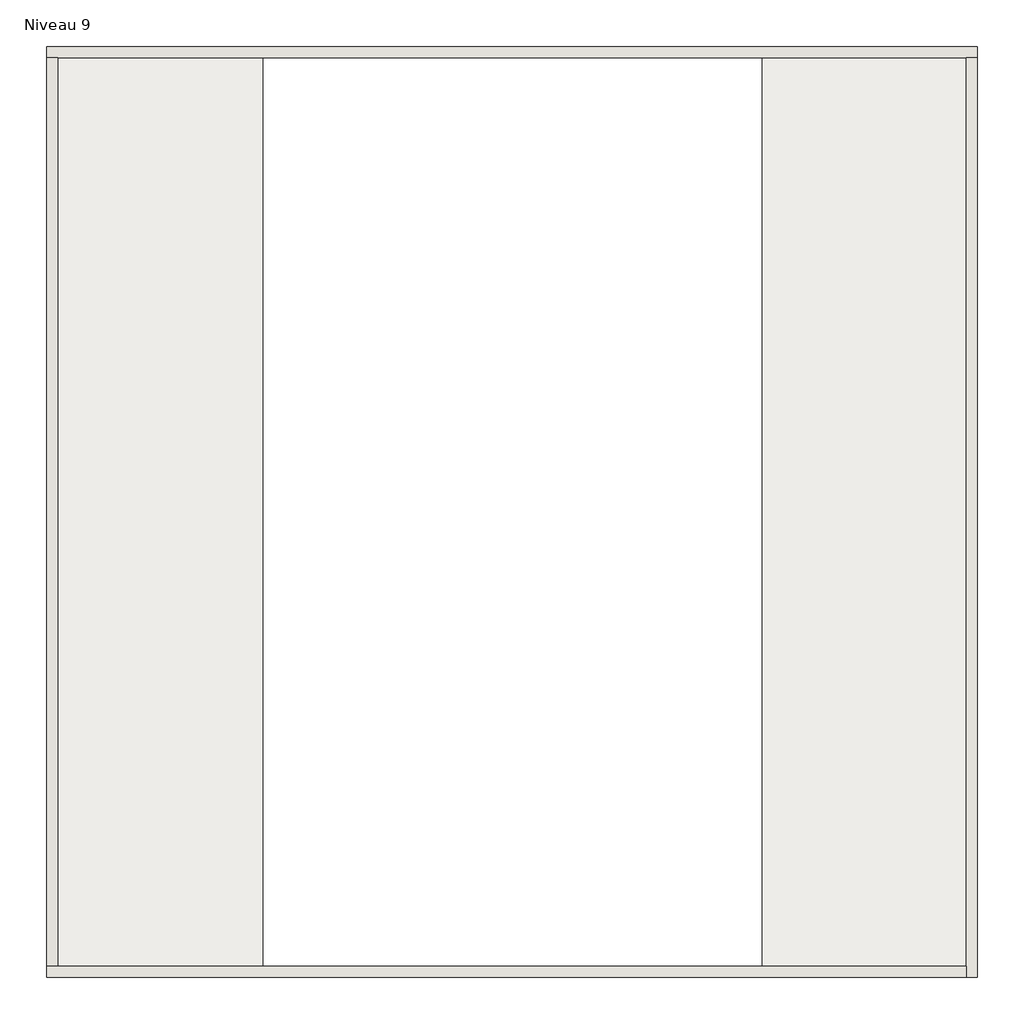
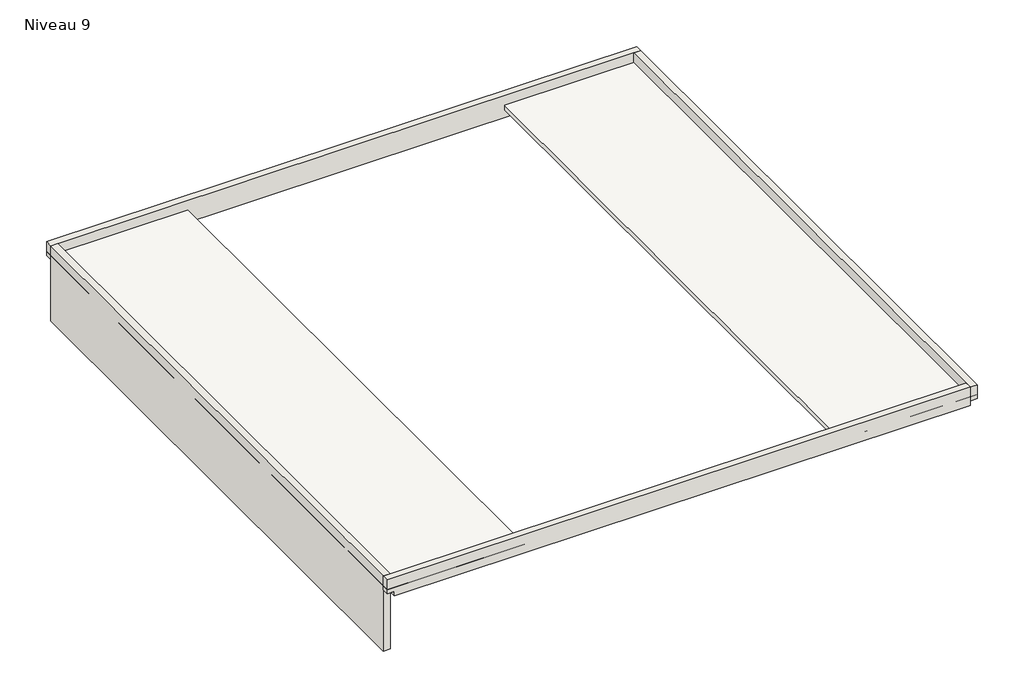
# One storey: 4 walls, 2 slabs.
"""IFC4 building model written with IfcOpenShell, lengths in millimetres."""

from ifc_helpers import new_model, si_unit, frame, origin, place, context, project, spatial, polyline, outline, extrude, faceted_brep, element, save

model = new_model("IFC4")

# Units and contexts
model_context = context("Model", 3, world=origin())
ifc_project = project(units=[si_unit("LENGTHUNIT", "METRE", prefix="MILLI")], contexts=[model_context])

# Site, building, storey
site = spatial("IfcSite", under=ifc_project)
building = spatial("IfcBuilding", under=site)
storey = spatial("IfcBuildingStorey", under=building, Name="Niveau 9", Elevation=28800.0)

# Slabs
placement = place(None, origin())
element("IfcSlab", 1, at=placement, inside=storey, context=model_context, shape_type="SweptSolid", body=[
    extrude(outline(polyline([(7305.4348569, 3263.0837434), (7305.4348569, -26036.7581337), (505.4348569, -26036.7581337), (505.4348569, 3263.0837434), (7305.4348569, 3263.0837434)])), frame((0.0, 0.0, 28575.0), z_axis=(0.0, 0.0, 1.0), x_axis=(1.0, 0.0, 0.0)), (0.0, 0.0, 1.0), 225.0),
])
element("IfcSlab", 2, at=placement, inside=storey, context=model_context, shape_type="SweptSolid", body=[
    extrude(outline(polyline([(29804.9079366, -26036.7581337), (23029.9956849, -26036.7581337), (23029.9956849, 3263.0837434), (29804.9079366, 3263.0837434), (29804.9079366, -26036.7581337)])), frame((0.0, 0.0, 28575.0), z_axis=(0.0, 0.0, 1.0), x_axis=(1.0, 0.0, 0.0)), (0.0, 0.0, 1.0), 225.0),
])

# Walls
element("IfcWall", 3, at=placement, inside=storey, context=model_context, shape_type="Brep", body=[
    faceted_brep([(854.472057, 2913.0837434, 28142.4436242), (29454.9282678, 2913.0837434, 28142.4436242), (29454.9282678, 2913.0837434, 28575.0), (29804.9079366, 2913.0837434, 28575.0), (29804.9079366, 2913.0837434, 29300.0), (29454.9079366, 2913.0837434, 29300.0), (855.4348569, 2913.0837434, 29300.0), (505.4348569, 2913.0837434, 29300.0), (505.4348569, 2913.0837434, 28575.0), (854.472057, 2913.0837434, 28575.0), (854.472057, 3263.0837434, 28142.4436242), (854.472057, 3263.0837434, 28575.0), (505.4348569, 3263.0837434, 28575.0), (505.4348569, 3263.0837434, 29300.0), (29804.9079366, 3263.0837434, 29300.0), (29804.9079366, 3263.0837434, 28575.0), (29454.9282678, 3263.0837434, 28575.0), (29454.9282678, 3263.0837434, 28142.4436242)], [[[0, 1, 2, 3, 4, 5, 6, 7, 8, 9]], [[10, 11, 12, 13, 14, 15, 16, 17]], [[1, 0, 10, 17]], [[7, 6, 5, 4, 14, 13]], [[8, 12, 11, 9]], [[0, 9, 11, 10]], [[8, 7, 13, 12]], [[15, 3, 2, 16]], [[1, 17, 16, 2]], [[4, 3, 15, 14]]]),
])
element("IfcWall", 4, at=placement, inside=storey, context=model_context, shape_type="Brep", body=[
    faceted_brep([(29454.9079366, 2912.9920341, 28296.06148), (29454.9079366, -25687.7056149, 28296.06148), (29454.9079366, -25687.7056149, 28575.0), (29454.9079366, -26036.7581337, 28575.0), (29454.9079366, -26036.7581337, 29300.0), (29454.9079366, -25686.7581337, 29300.0), (29454.9079366, 2913.0837434, 29300.0), (29454.9079366, 2913.0837434, 28575.0), (29804.9079366, 2912.9920341, 28296.06148), (29804.9079366, 2912.9920341, 28575.0), (29804.9079366, 2913.0837434, 29300.0), (29804.9079366, -26036.7581337, 29300.0), (29804.9079366, -26036.7581337, 28575.0), (29804.9079366, -25687.7056149, 28575.0), (29804.9079366, -25687.7056149, 28296.06148)], [[[0, 1, 2, 3, 4, 5, 6, 7]], [[8, 9, 10, 11, 12, 13, 14]], [[1, 0, 8, 14]], [[6, 5, 4, 11, 10]], [[12, 3, 2, 13]], [[1, 14, 13, 2]], [[4, 3, 12, 11]], [[0, 7, 9, 8]], [[7, 6, 10, 9]]]),
])
element("IfcWall", 5, at=placement, inside=storey, context=model_context, shape_type="Brep", body=[
    faceted_brep([(29454.9282678, -25686.7581337, 28349.1717167), (23230.1339097, -25686.7581337, 28349.1717167), (23030.1339097, -25686.7581337, 28349.1717167), (854.472057, -25686.7581337, 28349.1717167), (854.472057, -25686.7581337, 28575.0), (505.4348569, -25686.7581337, 28575.0), (505.4348569, -25686.7581337, 29300.0), (855.4348569, -25686.7581337, 29300.0), (29454.9079366, -25686.7581337, 29300.0), (29454.9079366, -25686.7581337, 28575.0), (29454.9282678, -26036.7581337, 28349.1717167), (29454.9282678, -26036.7581337, 28575.0), (29454.9079366, -26036.7581337, 29300.0), (505.4348569, -26036.7581337, 29300.0), (505.4348569, -26036.7581337, 28575.0), (854.472057, -26036.7581337, 28575.0), (854.472057, -26036.7581337, 28349.1717167), (505.4348569, -25687.7056149, 28575.0), (854.472057, -25687.7056149, 28575.0)], [[[0, 1, 2, 3, 4, 5, 6, 7, 8, 9]], [[10, 11, 12, 13, 14, 15, 16]], [[3, 2, 1, 0, 10, 16]], [[8, 7, 6, 13, 12]], [[14, 17, 5, 4, 18, 15]], [[4, 3, 16, 15, 18]], [[6, 5, 17, 14, 13]], [[0, 9, 11, 10]], [[9, 8, 12, 11]]]),
])
element("IfcWall", 6, at=placement, inside=storey, context=model_context, shape_type="Brep", body=[
    faceted_brep([(855.4348569, -25687.7056149, 28575.0), (855.4348569, -25687.7056149, 25350.0), (855.4348569, -4932.2847557, 25350.0), (855.4348569, -4732.2847557, 25350.0), (855.4348569, -3682.2271277, 25350.0), (855.4348569, -3482.2271277, 25350.0), (855.4348569, -167.2278604, 25350.0), (855.4348569, -7.2278604, 25350.0), (855.4348569, 2912.9920341, 25350.0), (855.4348569, 2912.9920341, 28575.0), (855.4348569, 2913.0837434, 29300.0), (855.4348569, -25686.7581337, 29300.0), (855.4348569, -25686.7581337, 28575.0), (505.4348569, -25687.7056149, 25350.0), (505.4348569, -25687.7056149, 28575.0), (505.4348569, -25686.7581337, 28575.0), (505.4348569, -25686.7581337, 29300.0), (505.4348569, 2913.0837434, 29300.0), (505.4348569, 2913.0837434, 28575.0), (505.4348569, 2912.9920341, 25350.0), (854.472057, -25686.7581337, 28575.0)], [[[0, 1, 2, 3, 4, 5, 6, 7, 8, 9, 10, 11, 12]], [[13, 14, 15, 16, 17, 18, 19]], [[8, 7, 6, 5, 4, 3, 2, 1, 13, 19]], [[11, 10, 17, 16]], [[12, 20, 15, 14, 0]], [[0, 14, 13, 1]], [[12, 11, 16, 15, 20]], [[8, 19, 18, 9]], [[10, 9, 18, 17]]]),
])

save(model, "model.ifc")
